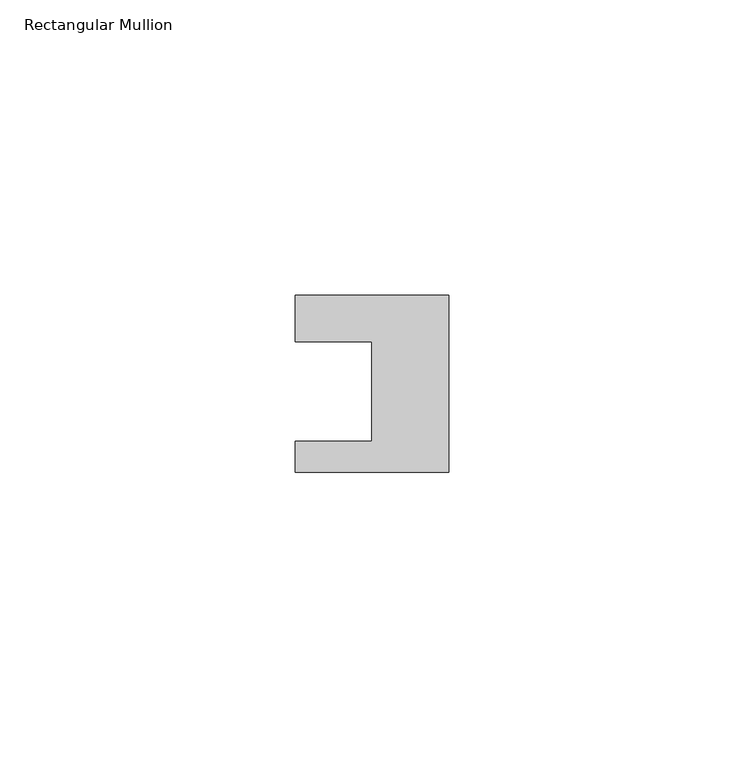
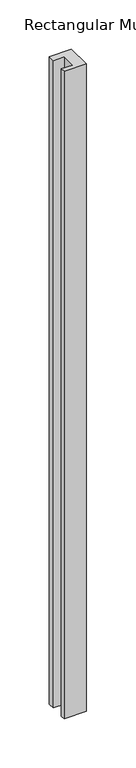
"""IFC4 building model written with IfcOpenShell, lengths in millimetres: member geometry, Rectangular Mullion."""

from ifc_helpers import new_model, si_unit, frame, origin, place, context, project, spatial, polyline, outline, extrude, source, transform, mapped, element, save


def rectangular_mullion_ac2879ae(model_context):
    return source(origin(), model_context, "Body", "SweptSolid", [
        extrude(outline(polyline([(-26.0, 0.001), (-26.0, 7.94), (0.0, 7.94), (0.0, -22.06), (-26.0, -22.06), (-26.0, -16.8), (-13.0, -16.8), (-13.0, 0.001), (-26.0, 0.001)])), frame((0.0, 0.0, -802.0), z_axis=(0.0, 0.0, 1.0), x_axis=(1.0, 0.0, 0.0)), (0.0, 0.0, 1.0), 802.0),
    ])


if __name__ == "__main__":
    model = new_model("IFC4")
    model_context = context("Model", 3, world=origin())
    ifc_project = project(units=[si_unit("LENGTHUNIT", "METRE", prefix="MILLI")], contexts=[model_context])
    site = spatial("IfcSite", under=ifc_project)
    building = spatial("IfcBuilding", under=site)
    placement = place(None, origin())
    rectangular_mullion_shape = rectangular_mullion_ac2879ae(model_context)
    element("IfcMember", 1, ObjectType="Rectangular Mullion", at=placement, inside=building, context=model_context, shape_type="MappedRepresentation", body=[
        mapped(rectangular_mullion_shape, transform((0.0, 0.0, 0.0), x_axis=(1.0, 0.0, 0.0), y_axis=(0.0, 1.0, 0.0), z_axis=(0.0, 0.0, 1.0))),
    ])
    save(model, "model.ifc")
